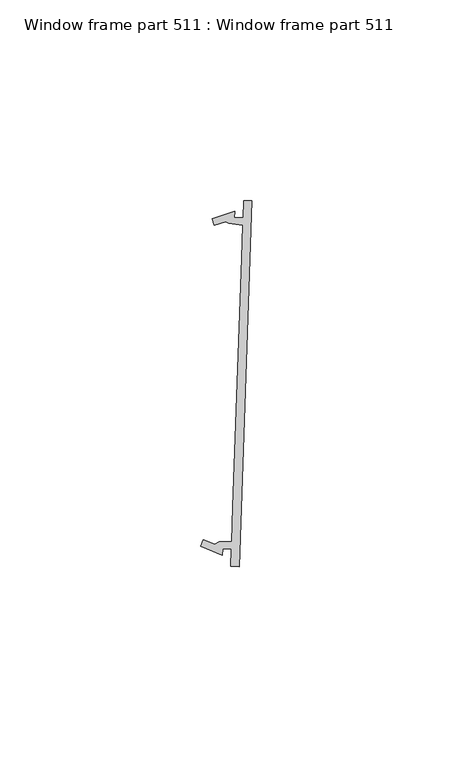
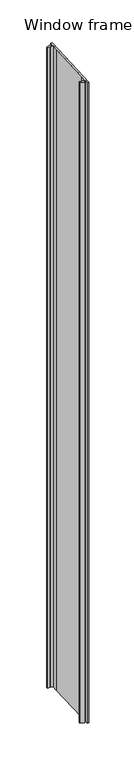
"""IFC4 building model written with IfcOpenShell, lengths in millimetres: proxy geometry, Window frame part 511 : Window frame part 511."""

from ifc_helpers import new_model, si_unit, frame, origin, place, context, project, spatial, polyline, outline, extrude, source, transform, mapped, element, save


def window_frame_part_511_window_frame_part_511_2432a27e(model_context):
    return source(origin(), model_context, "Body", "SweptSolid", [
        extrude(outline(polyline([(34556.9278467, -15529.9132458), (34551.489924, -15527.7142961), (34552.1564374, -15526.0656764), (34554.9629949, -15527.2038116), (34556.1571982, -15526.5300213), (34559.2287019, -15526.6379665), (34559.5375947, -15517.8486427), (34561.712289, -15455.9692648), (34562.0031166, -15447.6939736), (34558.4661757, -15447.2351219), (34557.7872555, -15446.8414886), (34554.9080803, -15447.7696377), (34554.3589468, -15446.0782952), (34559.9378227, -15444.2665209), (34559.882512, -15445.8403492), (34562.0655642, -15445.9170706), (34562.2172228, -15441.6017348), (34564.2479691, -15441.6731035), (34561.0453421, -15532.8015741), (34559.0145958, -15532.7302054), (34559.1662543, -15528.4148695), (34556.9831574, -15528.3394174), (34556.9278467, -15529.9132458)])), frame((0.0, 0.0, 1597.975708), z_axis=(0.0, 0.0, 1.0), x_axis=(1.0, 0.0, 0.0)), (0.0, 0.0, 1.0), 914.4),
    ])


if __name__ == "__main__":
    model = new_model("IFC4")
    model_context = context("Model", 3, world=origin())
    ifc_project = project(units=[si_unit("LENGTHUNIT", "METRE", prefix="MILLI")], contexts=[model_context])
    site = spatial("IfcSite", under=ifc_project)
    building = spatial("IfcBuilding", under=site)
    placement = place(None, origin())
    window_frame_part_511_window_frame_part_511_shape = window_frame_part_511_window_frame_part_511_2432a27e(model_context)
    element("IfcBuildingElementProxy", 1, Name="Window frame part 511 : Window frame part 511", ObjectType="Window frame part 511 : Window frame part 511", at=placement, inside=building, context=model_context, shape_type="MappedRepresentation", body=[
        mapped(window_frame_part_511_window_frame_part_511_shape, transform((0.0, 0.0, 0.0), x_axis=(1.0, 0.0, 0.0), y_axis=(0.0, 1.0, 0.0), z_axis=(0.0, 0.0, 1.0))),
    ])
    save(model, "model.ifc")
